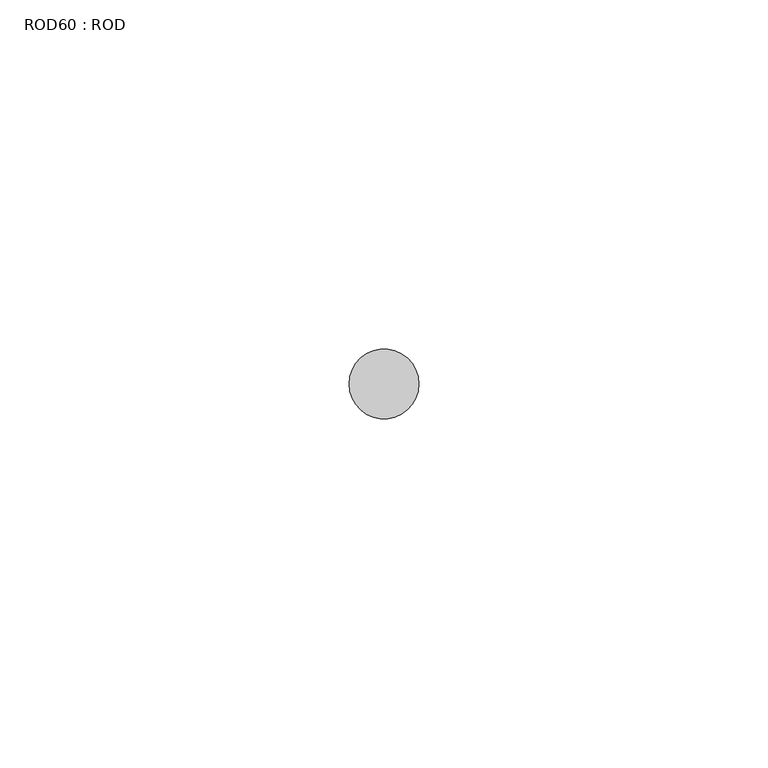
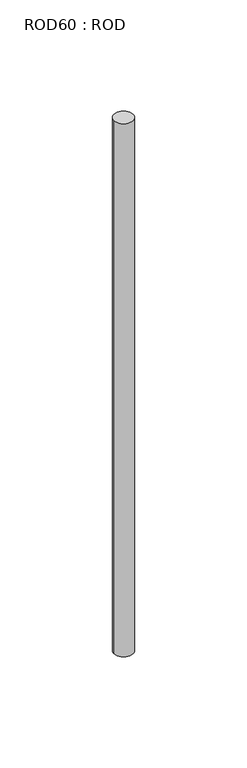
"""IFC4 building model written with IfcOpenShell, lengths in millimetres: proxy geometry, ROD60 : ROD."""

from ifc_helpers import new_model, si_unit, point, frame, frame_2d, origin, place, context, project, spatial, circle_curve, trimmed, segment, composite_curve, outline, extrude, source, transform, mapped, element, save


def rod60_rod_57e8203d(model_context):
    return source(origin(), model_context, "Body", "SweptSolid", [
        extrude(outline(composite_curve([segment(trimmed(circle_curve(frame_2d((8392.7784384, -1114.6300853)), 5.0), [point((8387.7784384, -1114.6300853))], [point((8397.7784384, -1114.6300853))], False, "CARTESIAN"), True, "CONTINUOUS"), segment(trimmed(circle_curve(frame_2d((8392.7784384, -1114.6300853)), 5.0), [point((8397.7784384, -1114.6300853))], [point((8387.7784384, -1114.6300853))], False, "CARTESIAN"), True, "CONTINUOUS")], self_intersect=False)), frame((0.0, 0.0, -208.6608845), z_axis=(0.0, 0.0, 1.0), x_axis=(1.0, 0.0, 0.0)), (0.0, 0.0, 1.0), 298.9028972),
    ])


if __name__ == "__main__":
    model = new_model("IFC4")
    model_context = context("Model", 3, world=origin())
    ifc_project = project(units=[si_unit("LENGTHUNIT", "METRE", prefix="MILLI")], contexts=[model_context])
    site = spatial("IfcSite", under=ifc_project)
    building = spatial("IfcBuilding", under=site)
    placement = place(None, origin())
    rod60_rod_shape = rod60_rod_57e8203d(model_context)
    element("IfcBuildingElementProxy", 1, Name="ROD60 : ROD", ObjectType="ROD60 : ROD", at=placement, inside=building, context=model_context, shape_type="MappedRepresentation", body=[
        mapped(rod60_rod_shape, transform((0.0, 0.0, 0.0), x_axis=(1.0, 0.0, 0.0), y_axis=(0.0, 1.0, 0.0), z_axis=(0.0, 0.0, 1.0))),
    ])
    save(model, "model.ifc")
